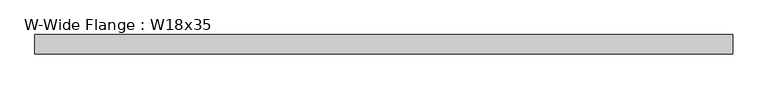
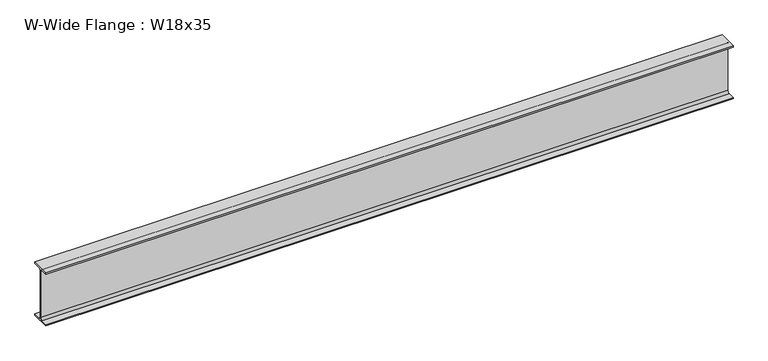
"""IFC4 building model written with IfcOpenShell, lengths in millimetres: beam geometry, W-Wide Flange : W18x35."""

import ifcopenshell
import ifcopenshell.guid

model = None  # the IFC model being written
_history = None  # IfcOwnerHistory: only IFC2X3 demands one
_inside = {}  # id of a spatial element -> (the spatial element, [elements in it])
_under = {}  # id of a project, library or spatial element -> (it, [spatial elements below it])
_declared = {}  # id of a project -> (the project, [libraries it declares])
_typed = {}  # id of a type object -> (the type object, [elements of that type])
_made_of = {}  # id of a material, layer set ... -> (it, [elements and type objects made of it])


def new_model(schema):
    """Start an empty IFC model of exactly this schema.

    Asked for "IFC4X3", IfcOpenShell would pick the latest addendum, in which some entities
    have other attributes; the version numbers below select the first issue.
    IFC2X3 requires an IfcOwnerHistory on every rooted entity: one is made here for all.
    """
    global model, _history
    if schema == "IFC4X3":
        model = ifcopenshell.file(schema_version=(4, 3, 0, 0))
    else:
        model = ifcopenshell.file(schema=schema)
    _inside.clear()
    _under.clear()
    _declared.clear()
    _typed.clear()
    _made_of.clear()
    _history = None
    if model.schema == "IFC2X3":
        org = make("IfcOrganization", Name="unknown")
        user = make(
            "IfcPersonAndOrganization",
            ThePerson=make("IfcPerson", FamilyName="unknown"),
            TheOrganization=org,
        )
        app = make(
            "IfcApplication",
            ApplicationDeveloper=org,
            Version="unknown",
            ApplicationFullName="unknown",
            ApplicationIdentifier="unknown",
        )
        _history = make(
            "IfcOwnerHistory",
            OwningUser=user,
            OwningApplication=app,
            ChangeAction="ADDED",
            CreationDate=0,
        )
    return model


def make(cls, **values):
    """One entity of the class cls with the attributes given. An attribute that is None is left unset."""
    return model.create_entity(
        cls, **{name: value for name, value in values.items() if value is not None}
    )


def rooted(cls, **values):
    """An entity with a GlobalId (a new one), such as an element, a storey or a relation."""
    return make(cls, GlobalId=ifcopenshell.guid.new(), OwnerHistory=_history, **values)


def si_unit(unit_type, name, prefix=None):
    """IfcSIUnit, for example si_unit("LENGTHUNIT", "METRE", prefix="MILLI")."""
    return make("IfcSIUnit", UnitType=unit_type, Prefix=prefix, Name=name)


def assignment(units):
    """IfcUnitAssignment: the units of a project."""
    return None if units is None else make("IfcUnitAssignment", Units=units)


def point(xyz):
    """IfcCartesianPoint."""
    return None if xyz is None else make("IfcCartesianPoint", Coordinates=xyz)


def direction(xyz):
    """IfcDirection."""
    return None if xyz is None else make("IfcDirection", DirectionRatios=xyz)


def frame(location, z_axis=None, x_axis=None):
    """IfcAxis2Placement3D, a coordinate frame: its origin and axes. An axis left out is left unset."""
    return make(
        "IfcAxis2Placement3D",
        Location=point(location),
        Axis=direction(z_axis),
        RefDirection=direction(x_axis),
    )


def frame_2d(location, x_axis=None):
    """IfcAxis2Placement2D, a coordinate frame in the plane: its origin and x axis."""
    return make(
        "IfcAxis2Placement2D", Location=point(location), RefDirection=direction(x_axis)
    )


def origin():
    """The frame at (0, 0, 0) with its axes left unset."""
    return frame((0.0, 0.0, 0.0))


def place(relative_to, where):
    """IfcLocalPlacement: puts the frame where relative to a parent placement (None: the world)."""
    return make(
        "IfcLocalPlacement", PlacementRelTo=relative_to, RelativePlacement=where
    )


def context(
    kind, dimensions, precision=None, world=None, true_north=None, identifier=None
):
    """IfcGeometricRepresentationContext, for example the 3D "Model" context."""
    return make(
        "IfcGeometricRepresentationContext",
        ContextIdentifier=identifier,
        ContextType=kind,
        CoordinateSpaceDimension=dimensions,
        Precision=precision,
        WorldCoordinateSystem=world,
        TrueNorth=true_north,
    )


def project(units=None, contexts=None):
    """IfcProject with its units and contexts."""
    return rooted(
        "IfcProject",
        Name="project",
        RepresentationContexts=contexts,
        UnitsInContext=assignment(units),
    )


def spatial(cls, under=None, at=None, **own):
    """A site, building, storey or space (cls), placed at a placement, below another one or the project."""
    s = rooted(cls, ObjectPlacement=at, **own)
    if under is not None:
        _under.setdefault(under.id(), (under, []))[1].append(s)
    return s


def polyline(points):
    """IfcPolyline through the points."""
    return make("IfcPolyline", Points=[point(p) for p in points])


def circle_curve(where, radius):
    """IfcCircle in the frame where."""
    return make("IfcCircle", Position=where, Radius=radius)


def trimmed(basis, trim1, trim2, sense, master):
    """IfcTrimmedCurve: the piece of a basis curve between two trims."""
    return make(
        "IfcTrimmedCurve",
        BasisCurve=basis,
        Trim1=trim1,
        Trim2=trim2,
        SenseAgreement=sense,
        MasterRepresentation=master,
    )


def segment(curve, same_sense, transition):
    """IfcCompositeCurveSegment."""
    return make(
        "IfcCompositeCurveSegment",
        Transition=transition,
        SameSense=same_sense,
        ParentCurve=curve,
    )


def composite_curve(segments, self_intersect=None):
    """IfcCompositeCurve: segments joined end to end."""
    return make("IfcCompositeCurve", Segments=segments, SelfIntersect=self_intersect)


def outline(outer, holes=None, kind="AREA"):
    """IfcArbitraryClosedProfileDef: a profile drawn as a closed curve; with holes, ...WithVoids."""
    if holes is None:
        return make("IfcArbitraryClosedProfileDef", ProfileType=kind, OuterCurve=outer)
    return make(
        "IfcArbitraryProfileDefWithVoids",
        ProfileType=kind,
        OuterCurve=outer,
        InnerCurves=holes,
    )


def extrude(swept, where, along, depth):
    """IfcExtrudedAreaSolid: the profile swept, set in the frame where, extruded along a direction by depth."""
    return make(
        "IfcExtrudedAreaSolid",
        SweptArea=swept,
        Position=where,
        ExtrudedDirection=direction(along),
        Depth=depth,
    )


def shape(context_of_items, identifier, shape_type, items):
    """IfcShapeRepresentation: the items that make up one representation, for example the "Body"."""
    return make(
        "IfcShapeRepresentation",
        ContextOfItems=context_of_items,
        RepresentationIdentifier=identifier,
        RepresentationType=shape_type,
        Items=items,
    )


def source(mapping_origin, context_of_items, identifier, shape_type, items):
    """IfcRepresentationMap: a shape defined once, which mapped items show again and again."""
    return make(
        "IfcRepresentationMap",
        MappingOrigin=mapping_origin,
        MappedRepresentation=shape(context_of_items, identifier, shape_type, items),
    )


def transform(
    local_origin,
    x_axis=None,
    y_axis=None,
    z_axis=None,
    scale=None,
    scale2=None,
    scale3=None,
    uniform=True,
):
    """IfcCartesianTransformationOperator3D, or its non-uniform kind. x_axis, y_axis, z_axis: its Axis1, 2, 3."""
    if uniform:
        return make(
            "IfcCartesianTransformationOperator3D",
            Axis1=direction(x_axis),
            Axis2=direction(y_axis),
            LocalOrigin=point(local_origin),
            Scale=scale,
            Axis3=direction(z_axis),
        )
    return make(
        "IfcCartesianTransformationOperator3DnonUniform",
        Axis1=direction(x_axis),
        Axis2=direction(y_axis),
        LocalOrigin=point(local_origin),
        Scale=scale,
        Axis3=direction(z_axis),
        Scale2=scale2,
        Scale3=scale3,
    )


def mapped(mapping_source, mapping_target):
    """IfcMappedItem: shows the shape of a source again, moved by a transform."""
    return make(
        "IfcMappedItem", MappingSource=mapping_source, MappingTarget=mapping_target
    )


def made_of(thing, what):
    """Note that an element or type object is made of a material, layer set ...; save() writes the relation."""
    if what is not None:
        _made_of.setdefault(what.id(), (what, []))[1].append(thing)
    return thing


def element(
    cls,
    number,
    at=None,
    inside=None,
    cuts=None,
    type_object=None,
    material=None,
    context=None,
    identifier="Body",
    shape_type=None,
    held_by="IfcProductDefinitionShape",
    body=None,
    shapes=None,
    **own,
):
    """One element of the class cls, such as IfcWall. Its Tag is "e" and its number.

    at: its placement. inside: the storey or other place that contains it. cuts: it is an
    opening in that element (IfcRelVoidsElement). A single representation is given by context,
    identifier, shape_type and body (its items); several are given by shapes. held_by: the class
    of the entity that holds the representations. save() writes the other relations.
    """
    e = rooted(cls, Tag="e%d" % number, ObjectPlacement=at, **own)
    if body is not None:
        shapes = [shape(context, identifier, shape_type, body)]
    if shapes is not None:
        e.Representation = make(held_by, Representations=shapes)
    if inside is not None:
        _inside.setdefault(inside.id(), (inside, []))[1].append(e)
    if cuts is not None:
        rooted(
            "IfcRelVoidsElement", RelatingBuildingElement=cuts, RelatedOpeningElement=e
        )
    if type_object is not None:
        _typed.setdefault(type_object.id(), (type_object, []))[1].append(e)
    return made_of(e, material)


def aggregate(whole, parts):
    """IfcRelAggregates: a whole, such as a stair, and the parts it consists of."""
    return rooted("IfcRelAggregates", RelatingObject=whole, RelatedObjects=parts)


def save(model, path):
    """Write the relations noted so far, then the file.

    IfcRelAggregates (storeys below a building ...), IfcRelContainedInSpatialStructure (elements
    in a storey), IfcRelDefinesByType, IfcRelAssociatesMaterial and IfcRelDeclares: one each for
    every whole, place, type object, material and project.
    """
    for whole, parts in _under.values():
        aggregate(whole, parts)
    for where, things in _inside.values():
        rooted(
            "IfcRelContainedInSpatialStructure",
            RelatedElements=things,
            RelatingStructure=where,
        )
    for kind, things in _typed.values():
        rooted("IfcRelDefinesByType", RelatedObjects=things, RelatingType=kind)
    for what, things in _made_of.values():
        rooted("IfcRelAssociatesMaterial", RelatedObjects=things, RelatingMaterial=what)
    for by, libraries in _declared.values():
        rooted("IfcRelDeclares", RelatingContext=by, RelatedDefinitions=libraries)
    model.write(path)


def w_wide_flange_w18x35_a7bd7e46(model_context):
    return source(origin(), model_context, "Body", "SweptSolid", [
        extrude(outline(composite_curve([segment(polyline([(76.2, -213.995), (76.2, -224.79), (-76.2, -224.79), (-76.2, -213.995), (-21.59, -213.995)]), True, "CONTINUOUS"), segment(trimmed(circle_curve(frame_2d((-21.59, -196.215)), 17.78), [point((-21.59, -213.995))], [point((-3.81, -196.215))], True, "CARTESIAN"), True, "CONTINUOUS"), segment(polyline([(-3.81, -196.215), (-3.81, 196.215)]), True, "CONTINUOUS"), segment(trimmed(circle_curve(frame_2d((-21.59, 196.215)), 17.78), [point((-3.81, 196.215))], [point((-21.59, 213.995))], True, "CARTESIAN"), True, "CONTINUOUS"), segment(polyline([(-21.59, 213.995), (-76.2, 213.995), (-76.2, 224.79), (76.2, 224.79), (76.2, 213.995), (21.59, 213.995)]), True, "CONTINUOUS"), segment(trimmed(circle_curve(frame_2d((21.59, 196.215)), 17.78), [point((21.59, 213.995))], [point((3.81, 196.215))], True, "CARTESIAN"), True, "CONTINUOUS"), segment(polyline([(3.81, 196.215), (3.81, -196.215)]), True, "CONTINUOUS"), segment(trimmed(circle_curve(frame_2d((21.59, -196.215)), 17.78), [point((3.81, -196.215))], [point((21.59, -213.995))], True, "CARTESIAN"), True, "CONTINUOUS"), segment(polyline([(21.59, -213.995), (76.2, -213.995)]), True, "CONTINUOUS")], self_intersect=False)), frame((-2810.3536636, 0.0, 0.0), z_axis=(1.0, 0.0, 0.0), x_axis=(0.0, 1.0, 0.0)), (0.0, 0.0, 1.0), 5505.2428812),
    ])


if __name__ == "__main__":
    model = new_model("IFC4")
    model_context = context("Model", 3, world=origin())
    ifc_project = project(units=[si_unit("LENGTHUNIT", "METRE", prefix="MILLI")], contexts=[model_context])
    site = spatial("IfcSite", under=ifc_project)
    building = spatial("IfcBuilding", under=site)
    placement = place(None, origin())
    w_wide_flange_w18x35_shape = w_wide_flange_w18x35_a7bd7e46(model_context)
    element("IfcBeam", 1, ObjectType="W-Wide Flange : W18x35", at=placement, inside=building, context=model_context, shape_type="MappedRepresentation", body=[
        mapped(w_wide_flange_w18x35_shape, transform((0.0, 0.0, 0.0), x_axis=(1.0, 0.0, 0.0), y_axis=(0.0, 1.0, 0.0), z_axis=(0.0, 0.0, 1.0))),
    ])
    save(model, "model.ifc")
